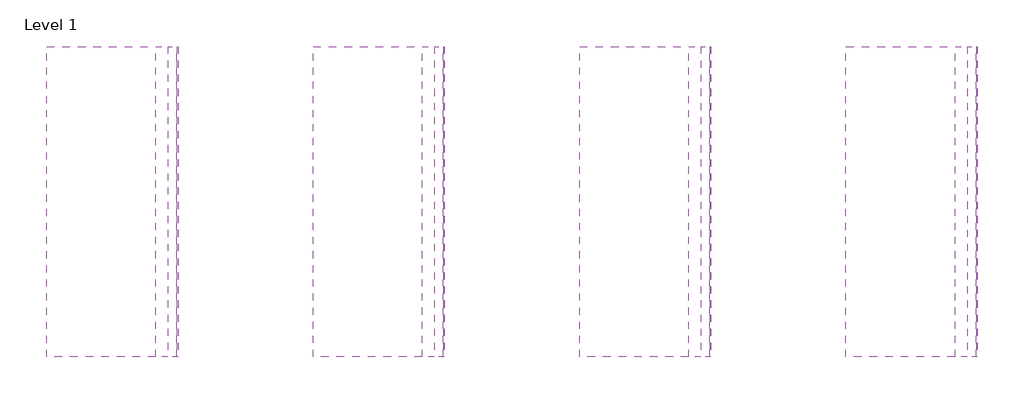
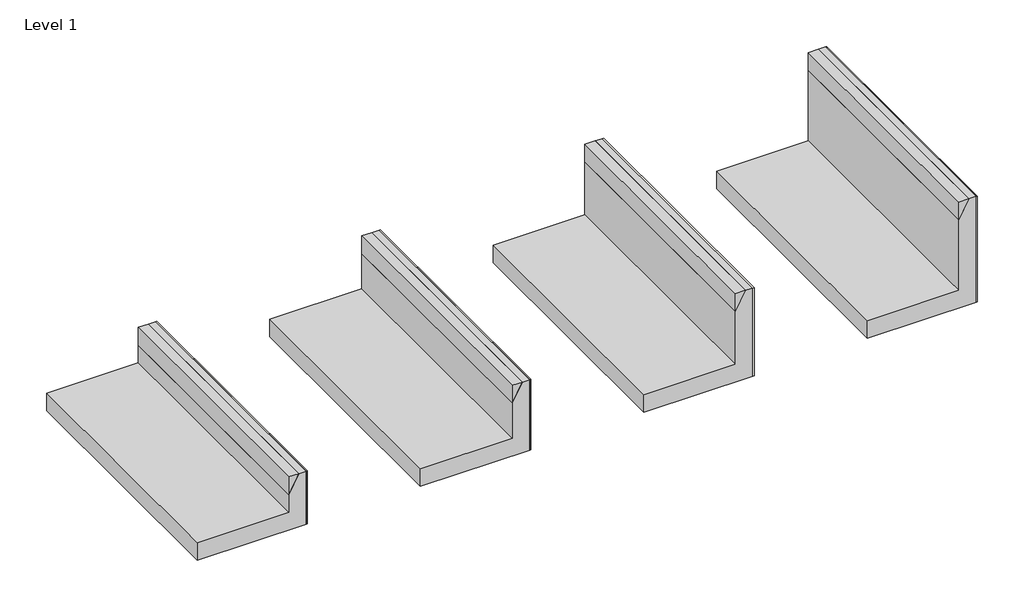
# One storey: 8 proxies, 4 walls.
"""IFC4 building model written with IfcOpenShell, lengths in millimetres."""

from ifc_helpers import new_model, si_unit, frame, origin, place, context, project, spatial, polyline, outline, extrude, element, save

model = new_model("IFC4")

# Units and contexts
model_context = context("Model", 3, world=origin())
ifc_project = project(units=[si_unit("LENGTHUNIT", "METRE", prefix="MILLI")], contexts=[model_context])

# Site, building, storey
site = spatial("IfcSite", under=ifc_project)
building = spatial("IfcBuilding", under=site)
storey = spatial("IfcBuildingStorey", under=building, Name="Level 1", Elevation=376.7173768)

# Proxies
placement = place(None, origin())
element("IfcBuildingElementProxy", 1, Name="Reveals", at=placement, inside=storey, context=model_context, shape_type="SweptSolid", body=[
    extrude(outline(polyline([(2692.4302449, -3165.9986691), (2692.4302449, -3219.9986691), (2592.4302449, -3219.9986691), (2692.4302449, -3165.9986691)])), frame((0.0, -203.3081883, 0.0), z_axis=(0.0, 1.0, 0.0), x_axis=(0.0, 0.0, 1.0)), (0.0, 0.0, 1.0), 1400.0),
])
element("IfcBuildingElementProxy", 2, Name="Wall Sweeps", at=placement, inside=storey, context=model_context, shape_type="SweptSolid", body=[
    extrude(outline(polyline([(2392.4302449, -3711.9986691), (2392.4302449, -3125.9986691), (2692.4302449, -3125.9986691), (2692.4302449, -3165.9986691), (2592.4302449, -3219.9986691), (2492.4302449, -3219.9986691), (2492.4302449, -3711.9986691), (2392.4302449, -3711.9986691)])), frame((0.0, -203.3081883, 0.0), z_axis=(0.0, 1.0, 0.0), x_axis=(0.0, 0.0, 1.0)), (0.0, 0.0, 1.0), 1400.0),
])
element("IfcBuildingElementProxy", 3, Name="Reveals", at=placement, inside=storey, context=model_context, shape_type="SweptSolid", body=[
    extrude(outline(polyline([(2792.4302449, -1965.9986691), (2792.4302449, -2019.9986691), (2692.4302449, -2019.9986691), (2792.4302449, -1965.9986691)])), frame((0.0, -203.3081883, 0.0), z_axis=(0.0, 1.0, 0.0), x_axis=(0.0, 0.0, 1.0)), (0.0, 0.0, 1.0), 1400.0),
])
element("IfcBuildingElementProxy", 4, Name="Wall Sweeps", at=placement, inside=storey, context=model_context, shape_type="SweptSolid", body=[
    extrude(outline(polyline([(2392.4302449, -2511.9986691), (2392.4302449, -1925.9986691), (2792.4302449, -1925.9986691), (2792.4302449, -1965.9986691), (2692.4302449, -2019.9986691), (2492.4302449, -2019.9986691), (2492.4302449, -2511.9986691), (2392.4302449, -2511.9986691)])), frame((0.0, -203.3081883, 0.0), z_axis=(0.0, 1.0, 0.0), x_axis=(0.0, 0.0, 1.0)), (0.0, 0.0, 1.0), 1400.0),
])
element("IfcBuildingElementProxy", 5, Name="Reveals", at=placement, inside=storey, context=model_context, shape_type="SweptSolid", body=[
    extrude(outline(polyline([(2892.4302449, -765.9986691), (2892.4302449, -819.9986691), (2792.4302449, -819.9986691), (2892.4302449, -765.9986691)])), frame((0.0, -203.3081883, 0.0), z_axis=(0.0, 1.0, 0.0), x_axis=(0.0, 0.0, 1.0)), (0.0, 0.0, 1.0), 1400.0),
])
element("IfcBuildingElementProxy", 6, Name="Wall Sweeps", at=placement, inside=storey, context=model_context, shape_type="SweptSolid", body=[
    extrude(outline(polyline([(2392.4302449, -1311.9986691), (2392.4302449, -725.9986691), (2892.4302449, -725.9986691), (2892.4302449, -765.9986691), (2792.4302449, -819.9986691), (2492.4302449, -819.9986691), (2492.4302449, -1311.9986691), (2392.4302449, -1311.9986691)])), frame((0.0, -203.3081883, 0.0), z_axis=(0.0, 1.0, 0.0), x_axis=(0.0, 0.0, 1.0)), (0.0, 0.0, 1.0), 1400.0),
])
element("IfcBuildingElementProxy", 7, Name="Reveals", at=placement, inside=storey, context=model_context, shape_type="SweptSolid", body=[
    extrude(outline(polyline([(2992.4302449, 434.0013309), (2992.4302449, 380.0013309), (2892.4302449, 380.0013309), (2992.4302449, 434.0013309)])), frame((0.0, -203.3081883, 0.0), z_axis=(0.0, 1.0, 0.0), x_axis=(0.0, 0.0, 1.0)), (0.0, 0.0, 1.0), 1400.0),
])
element("IfcBuildingElementProxy", 8, Name="Wall Sweeps", at=placement, inside=storey, context=model_context, shape_type="SweptSolid", body=[
    extrude(outline(polyline([(2392.4302449, -111.9986691), (2392.4302449, 474.0013309), (2992.4302449, 474.0013309), (2992.4302449, 434.0013309), (2892.4302449, 380.0013309), (2492.4302449, 380.0013309), (2492.4302449, -111.9986691), (2392.4302449, -111.9986691)])), frame((0.0, -203.3081883, 0.0), z_axis=(0.0, 1.0, 0.0), x_axis=(0.0, 0.0, 1.0)), (0.0, 0.0, 1.0), 1400.0),
])

# Walls
element("IfcWall", 9, at=placement, inside=storey, context=model_context, shape_type="SweptSolid", body=[
    extrude(outline(polyline([(-3119.9986691, 1196.6918117), (-3119.9986691, -203.3081883), (-3125.9986691, -203.3081883), (-3125.9986691, 1196.6918117), (-3119.9986691, 1196.6918117)])), frame((0.0, 0.0, 2392.4302449), z_axis=(0.0, 0.0, 1.0), x_axis=(1.0, 0.0, 0.0)), (0.0, 0.0, 1.0), 300.0),
])
element("IfcWall", 10, at=placement, inside=storey, context=model_context, shape_type="SweptSolid", body=[
    extrude(outline(polyline([(-1919.9986691, 1196.6918117), (-1919.9986691, -203.3081883), (-1925.9986691, -203.3081883), (-1925.9986691, 1196.6918117), (-1919.9986691, 1196.6918117)])), frame((0.0, 0.0, 2392.4302449), z_axis=(0.0, 0.0, 1.0), x_axis=(1.0, 0.0, 0.0)), (0.0, 0.0, 1.0), 400.0),
])
element("IfcWall", 11, at=placement, inside=storey, context=model_context, shape_type="SweptSolid", body=[
    extrude(outline(polyline([(-719.9986691, 1196.6918117), (-719.9986691, -203.3081883), (-725.9986691, -203.3081883), (-725.9986691, 1196.6918117), (-719.9986691, 1196.6918117)])), frame((0.0, 0.0, 2392.4302449), z_axis=(0.0, 0.0, 1.0), x_axis=(1.0, 0.0, 0.0)), (0.0, 0.0, 1.0), 500.0),
])
element("IfcWall", 12, at=placement, inside=storey, context=model_context, shape_type="SweptSolid", body=[
    extrude(outline(polyline([(480.0013309, 1196.6918117), (480.0013309, -203.3081883), (474.0013309, -203.3081883), (474.0013309, 1196.6918117), (480.0013309, 1196.6918117)])), frame((0.0, 0.0, 2392.4302449), z_axis=(0.0, 0.0, 1.0), x_axis=(1.0, 0.0, 0.0)), (0.0, 0.0, 1.0), 600.0),
])

save(model, "model.ifc")
